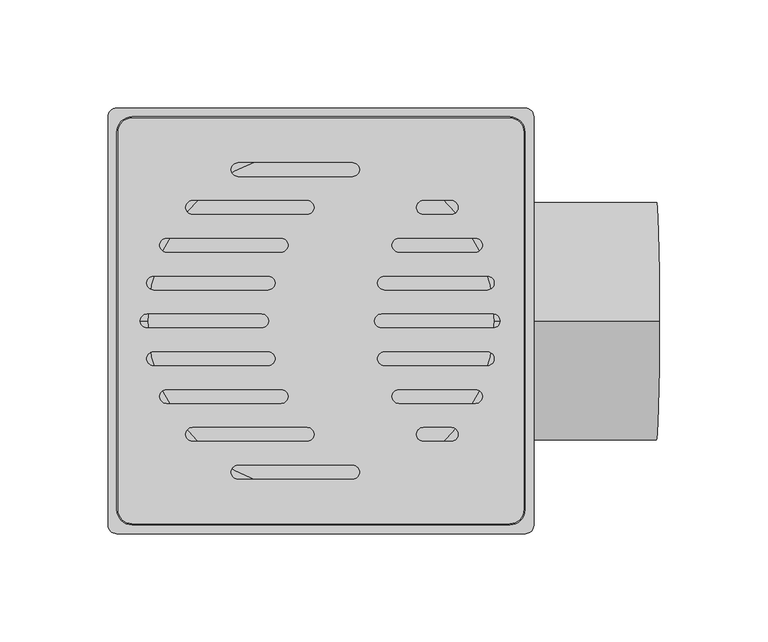
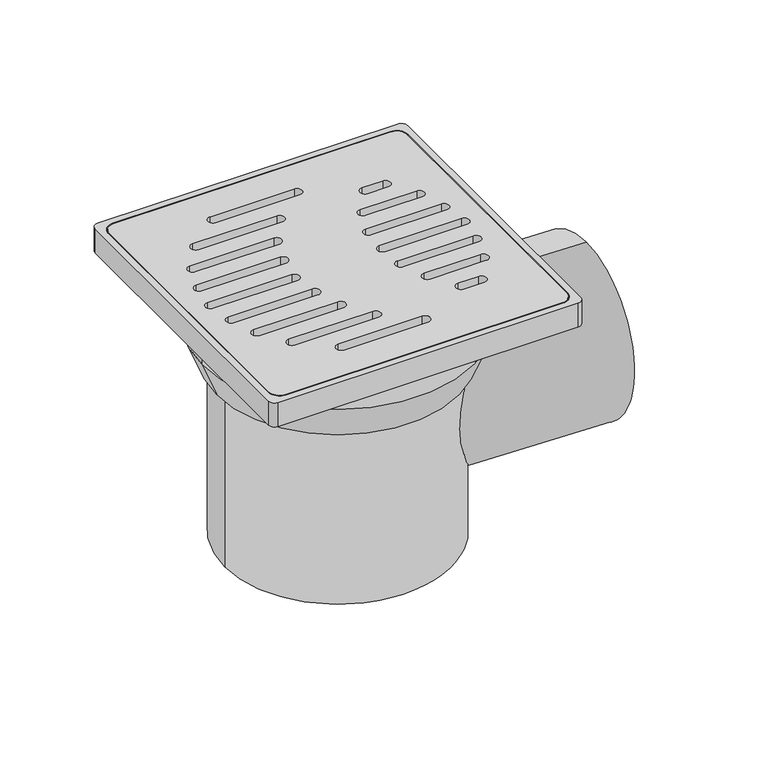
"""IFC4 building model written with IfcOpenShell, lengths in millimetres: flow terminal geometry."""

from ifc_helpers import new_model, si_unit, point, frame, frame_2d, origin, origin_2d, place, context, project, spatial, polyline, circle_curve, ellipse_curve, trimmed, segment, composite_curve, outline, extrude, source, transform, mapped, element, save
from ifc_brep_helpers import plane_surface, cylinder_surface, revolved_surface, advanced_brep


def flow_terminal_4df895df(model_context):
    return source(origin(), model_context, "Body", "SolidModel", [
        extrude(outline(composite_curve([segment(trimmed(circle_curve(frame_2d((87.323405, 87.3)), 6.6), [point((87.323405, 93.9))], [point((93.923405, 87.3))], False, "CARTESIAN"), True, "CONTINUOUS"), segment(polyline([(93.923405, 87.3), (93.923405, -87.3)]), True, "CONTINUOUS"), segment(trimmed(circle_curve(frame_2d((87.323405, -87.3)), 6.6), [point((93.923405, -87.3))], [point((87.323405, -93.9))], False, "CARTESIAN"), True, "CONTINUOUS"), segment(polyline([(87.323405, -93.9), (-87.276595, -93.9)]), True, "CONTINUOUS"), segment(trimmed(circle_curve(frame_2d((-87.276595, -87.3)), 6.6), [point((-87.276595, -93.9))], [point((-93.876595, -87.3))], False, "CARTESIAN"), True, "CONTINUOUS"), segment(polyline([(-93.876595, -87.3), (-93.876595, 87.3)]), True, "CONTINUOUS"), segment(trimmed(circle_curve(frame_2d((-87.276595, 87.3)), 6.6), [point((-93.876595, 87.3))], [point((-87.276595, 93.9))], False, "CARTESIAN"), True, "CONTINUOUS"), segment(polyline([(-87.276595, 93.9), (87.323405, 93.9)]), True, "CONTINUOUS")], self_intersect=False), holes=[composite_curve([segment(polyline([(14.6546528, 73.135), (-38.3453472, 73.135)]), True, "CONTINUOUS"), segment(trimmed(circle_curve(frame_2d((-38.3453472, 70.0)), 3.135), [point((-38.3453472, 73.135))], [point((-38.3453472, 66.865))], True, "CARTESIAN"), True, "CONTINUOUS"), segment(polyline([(-38.3453472, 66.865), (14.6546528, 66.865)]), True, "CONTINUOUS"), segment(trimmed(circle_curve(frame_2d((14.6546528, 70.0)), 3.135), [point((14.6546528, 66.865))], [point((14.6546528, 73.135))], True, "CARTESIAN"), True, "CONTINUOUS")], self_intersect=False), composite_curve([segment(polyline([(-6.4153472, 55.635), (-59.4153472, 55.635)]), True, "CONTINUOUS"), segment(trimmed(circle_curve(frame_2d((-59.4153472, 52.5)), 3.135), [point((-59.4153472, 55.635))], [point((-59.4153472, 49.365))], True, "CARTESIAN"), True, "CONTINUOUS"), segment(polyline([(-59.4153472, 49.365), (-6.4153472, 49.365)]), True, "CONTINUOUS"), segment(trimmed(circle_curve(frame_2d((-6.4153472, 52.5)), 3.135), [point((-6.4153472, 49.365))], [point((-6.4153472, 55.635))], True, "CARTESIAN"), True, "CONTINUOUS")], self_intersect=False), composite_curve([segment(polyline([(-18.4153472, 38.135), (-71.4153472, 38.135)]), True, "CONTINUOUS"), segment(trimmed(circle_curve(frame_2d((-71.4153472, 35.0)), 3.135), [point((-71.4153472, 38.135))], [point((-71.4153472, 31.865))], True, "CARTESIAN"), True, "CONTINUOUS"), segment(polyline([(-71.4153472, 31.865), (-18.4153472, 31.865)]), True, "CONTINUOUS"), segment(trimmed(circle_curve(frame_2d((-18.4153472, 35.0)), 3.135), [point((-18.4153472, 31.865))], [point((-18.4153472, 38.135))], True, "CARTESIAN"), True, "CONTINUOUS")], self_intersect=False), composite_curve([segment(polyline([(-24.4153472, 20.635), (-77.4153472, 20.635)]), True, "CONTINUOUS"), segment(trimmed(circle_curve(frame_2d((-77.4153472, 17.5)), 3.135), [point((-77.4153472, 20.635))], [point((-77.4153472, 14.365))], True, "CARTESIAN"), True, "CONTINUOUS"), segment(polyline([(-77.4153472, 14.365), (-24.4153472, 14.365)]), True, "CONTINUOUS"), segment(trimmed(circle_curve(frame_2d((-24.4153472, 17.5)), 3.135), [point((-24.4153472, 14.365))], [point((-24.4153472, 20.635))], True, "CARTESIAN"), True, "CONTINUOUS")], self_intersect=False), composite_curve([segment(polyline([(-27.4153472, 3.135), (-80.4153472, 3.135)]), True, "CONTINUOUS"), segment(trimmed(circle_curve(frame_2d((-80.4153472, 0.0)), 3.135), [point((-80.4153472, 3.135))], [point((-80.4153472, -3.135))], True, "CARTESIAN"), True, "CONTINUOUS"), segment(polyline([(-80.4153472, -3.135), (-27.4153472, -3.135)]), True, "CONTINUOUS"), segment(trimmed(circle_curve(frame_2d((-27.4153472, 0.0)), 3.135), [point((-27.4153472, -3.135))], [point((-27.4153472, 3.135))], True, "CARTESIAN"), True, "CONTINUOUS")], self_intersect=False), composite_curve([segment(trimmed(circle_curve(frame_2d((14.6546528, -70.0)), 3.135), [point((14.6546528, -73.135))], [point((14.6546528, -66.865))], True, "CARTESIAN"), True, "CONTINUOUS"), segment(polyline([(14.6546528, -66.865), (-38.3453472, -66.865)]), True, "CONTINUOUS"), segment(trimmed(circle_curve(frame_2d((-38.3453472, -70.0)), 3.135), [point((-38.3453472, -66.865))], [point((-38.3453472, -73.135))], True, "CARTESIAN"), True, "CONTINUOUS"), segment(polyline([(-38.3453472, -73.135), (14.6546528, -73.135)]), True, "CONTINUOUS")], self_intersect=False), composite_curve([segment(trimmed(circle_curve(frame_2d((-6.4153472, -52.5)), 3.135), [point((-6.4153472, -55.635))], [point((-6.4153472, -49.365))], True, "CARTESIAN"), True, "CONTINUOUS"), segment(polyline([(-6.4153472, -49.365), (-59.4153472, -49.365)]), True, "CONTINUOUS"), segment(trimmed(circle_curve(frame_2d((-59.4153472, -52.5)), 3.135), [point((-59.4153472, -49.365))], [point((-59.4153472, -55.635))], True, "CARTESIAN"), True, "CONTINUOUS"), segment(polyline([(-59.4153472, -55.635), (-6.4153472, -55.635)]), True, "CONTINUOUS")], self_intersect=False), composite_curve([segment(trimmed(circle_curve(frame_2d((-18.4153472, -35.0)), 3.135), [point((-18.4153472, -38.135))], [point((-18.4153472, -31.865))], True, "CARTESIAN"), True, "CONTINUOUS"), segment(polyline([(-18.4153472, -31.865), (-71.4153472, -31.865)]), True, "CONTINUOUS"), segment(trimmed(circle_curve(frame_2d((-71.4153472, -35.0)), 3.135), [point((-71.4153472, -31.865))], [point((-71.4153472, -38.135))], True, "CARTESIAN"), True, "CONTINUOUS"), segment(polyline([(-71.4153472, -38.135), (-18.4153472, -38.135)]), True, "CONTINUOUS")], self_intersect=False), composite_curve([segment(trimmed(circle_curve(frame_2d((-24.4153472, -17.5)), 3.135), [point((-24.4153472, -20.635))], [point((-24.4153472, -14.365))], True, "CARTESIAN"), True, "CONTINUOUS"), segment(polyline([(-24.4153472, -14.365), (-77.4153472, -14.365)]), True, "CONTINUOUS"), segment(trimmed(circle_curve(frame_2d((-77.4153472, -17.5)), 3.135), [point((-77.4153472, -14.365))], [point((-77.4153472, -20.635))], True, "CARTESIAN"), True, "CONTINUOUS"), segment(polyline([(-77.4153472, -20.635), (-24.4153472, -20.635)]), True, "CONTINUOUS")], self_intersect=False), composite_curve([segment(polyline([(60.3346528, 55.635), (47.3346528, 55.635)]), True, "CONTINUOUS"), segment(trimmed(circle_curve(frame_2d((47.3346528, 52.5)), 3.135), [point((47.3346528, 55.635))], [point((47.3346528, 49.365))], True, "CARTESIAN"), True, "CONTINUOUS"), segment(polyline([(47.3346528, 49.365), (60.3346528, 49.365)]), True, "CONTINUOUS"), segment(trimmed(circle_curve(frame_2d((60.3346528, 52.5)), 3.135), [point((60.3346528, 49.365))], [point((60.3346528, 55.635))], True, "CARTESIAN"), True, "CONTINUOUS")], self_intersect=False), composite_curve([segment(polyline([(71.5846528, 38.135), (36.0846528, 38.135)]), True, "CONTINUOUS"), segment(trimmed(circle_curve(frame_2d((36.0846528, 35.0)), 3.135), [point((36.0846528, 38.135))], [point((36.0846528, 31.865))], True, "CARTESIAN"), True, "CONTINUOUS"), segment(polyline([(36.0846528, 31.865), (71.5846528, 31.865)]), True, "CONTINUOUS"), segment(trimmed(circle_curve(frame_2d((71.5846528, 35.0)), 3.135), [point((71.5846528, 31.865))], [point((71.5846528, 38.135))], True, "CARTESIAN"), True, "CONTINUOUS")], self_intersect=False), composite_curve([segment(polyline([(77.0221528, 20.635), (29.3346528, 20.635)]), True, "CONTINUOUS"), segment(trimmed(circle_curve(frame_2d((29.3346528, 17.5)), 3.135), [point((29.3346528, 20.635))], [point((29.3346528, 14.365))], True, "CARTESIAN"), True, "CONTINUOUS"), segment(polyline([(29.3346528, 14.365), (77.0221528, 14.365)]), True, "CONTINUOUS"), segment(trimmed(circle_curve(frame_2d((77.0221528, 17.5)), 3.135), [point((77.0221528, 14.365))], [point((77.0221528, 20.635))], True, "CARTESIAN"), True, "CONTINUOUS")], self_intersect=False), composite_curve([segment(polyline([(79.7096528, 3.135), (27.9596528, 3.135)]), True, "CONTINUOUS"), segment(trimmed(circle_curve(frame_2d((27.9596528, 0.0)), 3.135), [point((27.9596528, 3.135))], [point((27.9596528, -3.135))], True, "CARTESIAN"), True, "CONTINUOUS"), segment(polyline([(27.9596528, -3.135), (79.7096528, -3.135)]), True, "CONTINUOUS"), segment(trimmed(circle_curve(frame_2d((79.7096528, 0.0)), 3.135), [point((79.7096528, -3.135))], [point((79.7096528, 3.135))], True, "CARTESIAN"), True, "CONTINUOUS")], self_intersect=False), composite_curve([segment(trimmed(circle_curve(frame_2d((60.3346528, -52.5)), 3.135), [point((60.3346528, -55.635))], [point((60.3346528, -49.365))], True, "CARTESIAN"), True, "CONTINUOUS"), segment(polyline([(60.3346528, -49.365), (47.3346528, -49.365)]), True, "CONTINUOUS"), segment(trimmed(circle_curve(frame_2d((47.3346528, -52.5)), 3.135), [point((47.3346528, -49.365))], [point((47.3346528, -55.635))], True, "CARTESIAN"), True, "CONTINUOUS"), segment(polyline([(47.3346528, -55.635), (60.3346528, -55.635)]), True, "CONTINUOUS")], self_intersect=False), composite_curve([segment(trimmed(circle_curve(frame_2d((71.5846528, -35.0)), 3.135), [point((71.5846528, -38.135))], [point((71.5846528, -31.865))], True, "CARTESIAN"), True, "CONTINUOUS"), segment(polyline([(71.5846528, -31.865), (36.0846528, -31.865)]), True, "CONTINUOUS"), segment(trimmed(circle_curve(frame_2d((36.0846528, -35.0)), 3.135), [point((36.0846528, -31.865))], [point((36.0846528, -38.135))], True, "CARTESIAN"), True, "CONTINUOUS"), segment(polyline([(36.0846528, -38.135), (71.5846528, -38.135)]), True, "CONTINUOUS")], self_intersect=False), composite_curve([segment(trimmed(circle_curve(frame_2d((77.0221528, -17.5)), 3.135), [point((77.0221528, -20.635))], [point((77.0221528, -14.365))], True, "CARTESIAN"), True, "CONTINUOUS"), segment(polyline([(77.0221528, -14.365), (29.3346528, -14.365)]), True, "CONTINUOUS"), segment(trimmed(circle_curve(frame_2d((29.3346528, -17.5)), 3.135), [point((29.3346528, -14.365))], [point((29.3346528, -20.635))], True, "CARTESIAN"), True, "CONTINUOUS"), segment(polyline([(29.3346528, -20.635), (77.0221528, -20.635)]), True, "CONTINUOUS")], self_intersect=False)]), frame((0.0, 0.0, -16.0), z_axis=(0.0, 0.0, 1.0), x_axis=(1.0, 0.0, 0.0)), (0.0, 0.0, 1.0), 16.0),
        extrude(outline(composite_curve([segment(trimmed(circle_curve(frame_2d((0.0, -55.0)), 55.0), [point((0.0, -110.0))], [point((0.0, 0.0))], False, "CARTESIAN"), True, "CONTINUOUS"), segment(trimmed(circle_curve(frame_2d((0.0, -55.0)), 55.0), [point((0.0, 0.0))], [point((0.0, -110.0))], False, "CARTESIAN"), True, "CONTINUOUS")], self_intersect=False)), frame((153.7549155, 0.0, -150.6716153), z_axis=(-0.9996573249755573, 0.0, 0.026176948307876303), x_axis=(0.0, 1.0, 0.0)), (0.0, 0.0, 1.0), 155.2551331),
        extrude(outline(composite_curve([segment(trimmed(circle_curve(frame_2d((94.5, 94.5)), 4.0), [point((94.5, 98.5))], [point((98.5, 94.5))], False, "CARTESIAN"), True, "CONTINUOUS"), segment(polyline([(98.5, 94.5), (98.5, -94.5)]), True, "CONTINUOUS"), segment(trimmed(circle_curve(frame_2d((94.5, -94.5)), 4.0), [point((98.5, -94.5))], [point((94.5, -98.5))], False, "CARTESIAN"), True, "CONTINUOUS"), segment(polyline([(94.5, -98.5), (-94.5, -98.5)]), True, "CONTINUOUS"), segment(trimmed(circle_curve(frame_2d((-94.5, -94.5)), 4.0), [point((-94.5, -98.5))], [point((-98.5, -94.5))], False, "CARTESIAN"), True, "CONTINUOUS"), segment(polyline([(-98.5, -94.5), (-98.5, 94.5)]), True, "CONTINUOUS"), segment(trimmed(circle_curve(frame_2d((-94.5, 94.5)), 4.0), [point((-98.5, 94.5))], [point((-94.5, 98.5))], False, "CARTESIAN"), True, "CONTINUOUS"), segment(polyline([(-94.5, 98.5), (94.5, 98.5)]), True, "CONTINUOUS")], self_intersect=False), holes=[composite_curve([segment(polyline([(87.4, 94.4), (-87.4, 94.4)]), True, "CONTINUOUS"), segment(trimmed(circle_curve(frame_2d((-87.4, 87.4)), 7.0), [point((-87.4, 94.4))], [point((-94.4, 87.4))], True, "CARTESIAN"), True, "CONTINUOUS"), segment(polyline([(-94.4, 87.4), (-94.4, -87.4)]), True, "CONTINUOUS"), segment(trimmed(circle_curve(frame_2d((-87.4, -87.4)), 7.0), [point((-94.4, -87.4))], [point((-87.4, -94.4))], True, "CARTESIAN"), True, "CONTINUOUS"), segment(polyline([(-87.4, -94.4), (87.4, -94.4)]), True, "CONTINUOUS"), segment(trimmed(circle_curve(frame_2d((87.4, -87.4)), 7.0), [point((87.4, -94.4))], [point((94.4, -87.4))], True, "CARTESIAN"), True, "CONTINUOUS"), segment(polyline([(94.4, -87.4), (94.4, 87.4)]), True, "CONTINUOUS"), segment(trimmed(circle_curve(frame_2d((87.4, 87.4)), 7.0), [point((94.4, 87.4))], [point((87.4, 94.4))], True, "CARTESIAN"), True, "CONTINUOUS")], self_intersect=False)]), frame((0.0, 0.0, -16.0), z_axis=(0.0, 0.0, 1.0), x_axis=(1.0, 0.0, 0.0)), (0.0, 0.0, 1.0), 16.0),
        extrude(outline(composite_curve([segment(trimmed(circle_curve(origin_2d(), 80.0), [point((80.0, 0.0))], [point((-80.0, 0.0))], False, "CARTESIAN"), True, "CONTINUOUS"), segment(trimmed(circle_curve(origin_2d(), 80.0), [point((-80.0, 0.0))], [point((80.0, 0.0))], False, "CARTESIAN"), True, "CONTINUOUS")], self_intersect=False)), frame((0.0, 0.0, -25.5), z_axis=(0.0, 0.0, 1.0), x_axis=(1.0, 0.0, 0.0)), (0.0, 0.0, 1.0), 9.5),
        advanced_brep(
        [(86.0, 0.0, -37.2391662), (-86.0, 0.0, -37.2391662), (-86.0, 0.0, -25.5), (86.0, 0.0, -25.5), (-71.4, 0.0, -177.5), (-71.4, 0.0, -61.0), (71.4, 0.0, -61.0), (71.4, 0.0, -65.2922183), (56.9, 43.1317748, -67.5887927), (56.9, 43.1317748, -177.5), (56.9, -43.1317748, -177.5), (56.9, -43.1317748, -67.5887927), (0.0, 0.0, -177.5), (56.9, 0.0, -177.5), (0.0, 0.0, -25.5), (76.4, 0.0, -61.0), (-76.4, 0.0, -61.0)],
        [
            (0, 1, circle_curve(frame((0.0, 0.0, -37.2391662), z_axis=(0.0, 0.0, 1.0), x_axis=(-1.0, 0.0, 0.0)), 86.0)),
            (1, 2),
            (2, 3, circle_curve(frame((0.0, 0.0, -25.5), z_axis=(0.0, 0.0, -1.0), x_axis=(-1.0, 0.0, 0.0)), 86.0)),
            (3, 0),
            (1, 0, circle_curve(frame((0.0, 0.0, -37.2391662), z_axis=(0.0, 0.0, 1.0), x_axis=(-1.0, 0.0, 0.0)), 86.0)),
            (3, 2, circle_curve(frame((0.0, 0.0, -25.5), z_axis=(0.0, 0.0, -1.0), x_axis=(-1.0, 0.0, 0.0)), 86.0)),
            (4, 5),
            (5, 6, circle_curve(frame((0.0, 0.0, -61.0), z_axis=(0.0, 0.0, -1.0), x_axis=(-1.0, 0.0, 0.0)), 71.4)),
            (6, 7),
            (7, 8, ellipse_curve(frame((0.0, 0.0, -76.6008674), z_axis=(-0.15643446504023084, 0.0, 0.9876883405951378), x_axis=(-0.9876883405951378, 0.0, -0.15643446504023048)), 72.29001, 71.4)),
            (8, 9),
            (9, 4, circle_curve(frame((0.0, 0.0, -177.5), z_axis=(0.0, 0.0, 1.0), x_axis=(-1.0, 0.0, 0.0)), 71.4)),
            (4, 10, circle_curve(frame((0.0, 0.0, -177.5), z_axis=(0.0, 0.0, 1.0), x_axis=(-1.0, 0.0, 0.0)), 71.4)),
            (10, 11),
            (11, 7, ellipse_curve(frame((0.0, 0.0, -76.6008674), z_axis=(-0.15643446504023084, 0.0, 0.9876883405951378), x_axis=(-0.9876883405951378, 0.0, -0.15643446504023048)), 72.29001, 71.4)),
            (6, 5, circle_curve(frame((0.0, 0.0, -61.0), z_axis=(0.0, 0.0, -1.0), x_axis=(-1.0, 0.0, 0.0)), 71.4)),
            (12, 4),
            (9, 13),
            (13, 12),
            (13, 10),
            (2, 14),
            (14, 3),
            (8, 11),
            (0, 15),
            (15, 16, circle_curve(frame((0.0, 0.0, -61.0), z_axis=(0.0, 0.0, 1.0), x_axis=(-1.0, 0.0, 0.0)), 76.4)),
            (16, 1),
            (16, 15, circle_curve(frame((0.0, 0.0, -61.0), z_axis=(0.0, 0.0, 1.0), x_axis=(-1.0, 0.0, 0.0)), 76.4)),
            (5, 16),
            (15, 6),
        ],
        [
            cylinder_surface(frame((0.0, 0.0, -25.5), z_axis=(0.0, 0.0, -1.0), x_axis=(-1.0, 0.0, 0.0)), 86.0),
            cylinder_surface(frame((0.0, 0.0, -25.5), z_axis=(0.0, 0.0, -1.0), x_axis=(-1.0, 0.0, 0.0)), 71.4),
            plane_surface(frame((0.0, 0.0, -177.5), z_axis=(0.0, 0.0, -1.0), x_axis=(-1.0, 0.0, 0.0))),
            plane_surface(frame((0.0, 0.0, -25.5), z_axis=(0.0, 0.0, 1.0), x_axis=(-1.0, 0.0, 0.0))),
            plane_surface(frame((56.9, -98.5, -67.5887927), z_axis=(1.0, 0.0, 0.0), x_axis=(0.0, 1.0, 0.0))),
            plane_surface(frame((98.5, -98.5, -61.0), z_axis=(0.15643446504023084, 0.0, -0.9876883405951378), x_axis=(0.0, 1.0, 0.0))),
            revolved_surface(polyline([(-86.0, 0.0, -37.2391662), (-76.4, 0.0, -61.0)]), (0.0, 0.0, -25.5), (0.0, 0.0, -1.0)),
            plane_surface(frame((0.0, 0.0, -61.0), z_axis=(0.0, 0.0, -1.0), x_axis=(-1.0, 0.0, 0.0))),
        ],
        [
            (0, [[1, 2, 3, 4]]),
            (0, [[-2, 5, -4, 6]]),
            (1, [[7, 8, 9, 10, 11, 12]]),
            (1, [[-7, 13, 14, 15, -9, 16]]),
            (2, [[17, -12, 18, 19]]),
            (2, [[-17, -19, 20, -13]]),
            (3, [[-3, 21, 22]]),
            (3, [[-6, -22, -21]]),
            (4, [[23, -14, -20, -18, -11]]),
            (5, [[-23, -10, -15]]),
            (6, [[-1, 24, 25, 26]]),
            (6, [[-5, -26, 27, -24]]),
            (7, [[-8, 28, -25, 29]]),
            (7, [[-16, -29, -27, -28]]),
        ],
    ),
    ])


if __name__ == "__main__":
    model = new_model("IFC4")
    model_context = context("Model", 3, world=origin())
    ifc_project = project(units=[si_unit("LENGTHUNIT", "METRE", prefix="MILLI")], contexts=[model_context])
    site = spatial("IfcSite", under=ifc_project)
    building = spatial("IfcBuilding", under=site)
    placement = place(None, origin())
    flow_terminal_shape = flow_terminal_4df895df(model_context)
    element("IfcFlowTerminal", 1, at=placement, inside=building, context=model_context, shape_type="MappedRepresentation", body=[
        mapped(flow_terminal_shape, transform((0.0, 0.0, 0.0), x_axis=(1.0, 0.0, 0.0), y_axis=(0.0, 1.0, 0.0), z_axis=(0.0, 0.0, 1.0))),
    ])
    save(model, "model.ifc")
